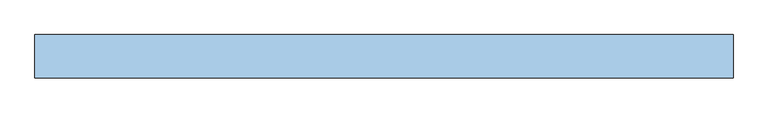
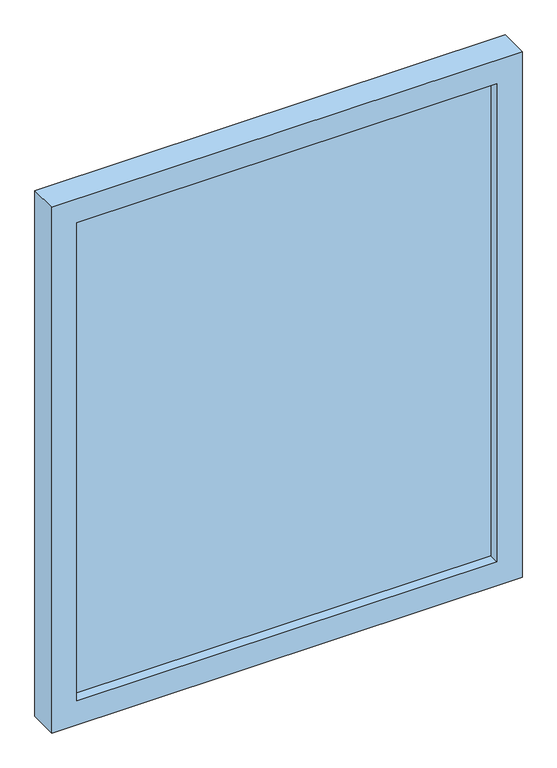
"""IFC4 building model written with IfcOpenShell, lengths in millimetres: window geometry."""

from ifc_helpers import new_model, si_unit, frame, origin, place, context, project, spatial, polyline, outline, extrude, source, transform, mapped, element, save


def window_0324ab1c(model_context):
    return source(origin(), model_context, "Body", "SweptSolid", [
        extrude(outline(polyline([(491.0, -10.0), (-491.0, -10.0), (-491.0, 26.0), (491.0, 26.0), (491.0, -10.0)])), frame((0.0, 0.0, 959.0), z_axis=(0.0, 0.0, 1.0), x_axis=(1.0, 0.0, 0.0)), (0.0, 0.0, 1.0), 1182.0),
        extrude(outline(polyline([(2200.0, 550.0), (2200.0, -550.0), (900.0, -550.0), (900.0, 550.0), (2200.0, 550.0)]), holes=[polyline([(959.0, 491.0), (959.0, -491.0), (2141.0, -491.0), (2141.0, 491.0), (959.0, 491.0)])]), frame((0.0, -34.0, 0.0), z_axis=(0.0, 1.0, 0.0), x_axis=(0.0, 0.0, 1.0)), (0.0, 0.0, 1.0), 68.0),
    ])


if __name__ == "__main__":
    model = new_model("IFC4")
    model_context = context("Model", 3, world=origin())
    ifc_project = project(units=[si_unit("LENGTHUNIT", "METRE", prefix="MILLI")], contexts=[model_context])
    site = spatial("IfcSite", under=ifc_project)
    building = spatial("IfcBuilding", under=site)
    placement = place(None, origin())
    window_shape = window_0324ab1c(model_context)
    element("IfcWindow", 1, at=placement, inside=building, context=model_context, shape_type="MappedRepresentation", body=[
        mapped(window_shape, transform((0.0, 0.0, 0.0), x_axis=(1.0, 0.0, 0.0), y_axis=(0.0, 1.0, 0.0), z_axis=(0.0, 0.0, 1.0))),
    ])
    save(model, "model.ifc")
